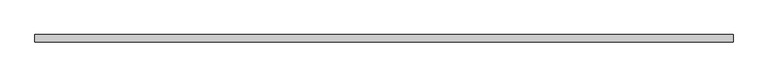
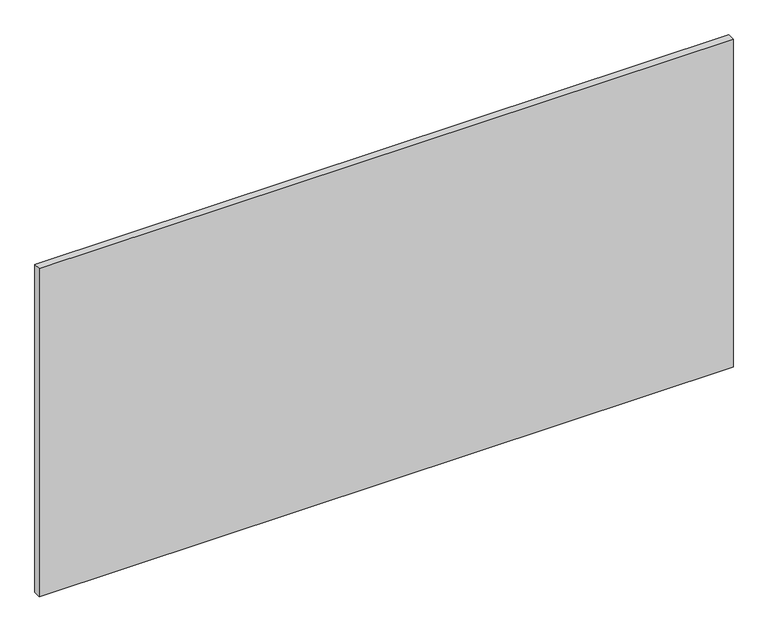
"""IFC4 building model written with IfcOpenShell, lengths in millimetres: furniture geometry."""

from ifc_helpers import new_model, si_unit, frame, origin, place, context, project, spatial, polyline, outline, extrude, source, transform, mapped, element, save


def furniture_62ac4265(model_context):
    return source(origin(), model_context, "Body", "SweptSolid", [
        extrude(outline(polyline([(1828.8, 57.15), (1828.8, 38.1), (0.0, 38.1), (0.0, 57.15), (1828.8, 57.15)])), frame((0.0, 0.0, 1036.1701109), z_axis=(0.0, 0.0, 1.0), x_axis=(1.0, 0.0, 0.0)), (0.0, 0.0, 1.0), 914.4),
    ])


if __name__ == "__main__":
    model = new_model("IFC4")
    model_context = context("Model", 3, world=origin())
    ifc_project = project(units=[si_unit("LENGTHUNIT", "METRE", prefix="MILLI")], contexts=[model_context])
    site = spatial("IfcSite", under=ifc_project)
    building = spatial("IfcBuilding", under=site)
    placement = place(None, origin())
    furniture_shape = furniture_62ac4265(model_context)
    element("IfcFurniture", 1, at=placement, inside=building, context=model_context, shape_type="MappedRepresentation", body=[
        mapped(furniture_shape, transform((0.0, 0.0, 0.0), x_axis=(1.0, 0.0, 0.0), y_axis=(0.0, 1.0, 0.0), z_axis=(0.0, 0.0, 1.0))),
    ])
    save(model, "model.ifc")
